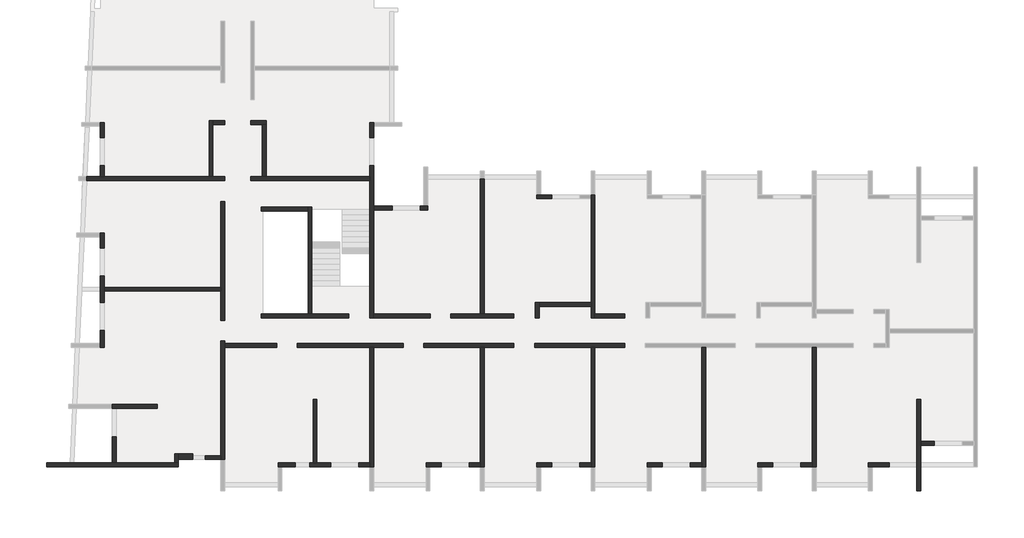
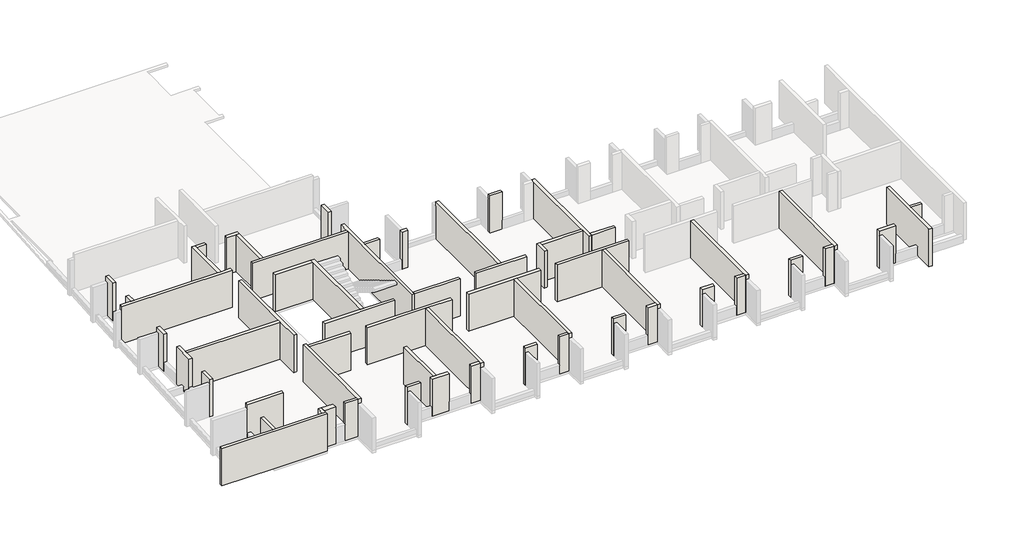
# One storey, part 1 of 4: 59 walls.
"""IFC4 building model written with IfcOpenShell, lengths in millimetres."""

from ifc_helpers import new_model, si_unit, frame, origin, place, context, project, spatial, polyline, outline, extrude, faceted_brep, element, save

model = new_model("IFC4")

# Units and contexts
model_context = context("Model", 3, world=origin())
ifc_project = project(units=[si_unit("LENGTHUNIT", "METRE", prefix="MILLI")], contexts=[model_context])

# Site, building, storey
site = spatial("IfcSite", under=ifc_project)
building = spatial("IfcBuilding", under=site)
storey = spatial("IfcBuildingStorey", under=building, Elevation=7230.0)

# Walls
placement = place(None, origin())
element("IfcWall", 1, ObjectType="MHA20", at=placement, inside=storey, context=model_context, shape_type="Brep", body=[
    faceted_brep([(-6305.6912908, -19419.0672499, 7230.0), (-6305.6912908, -13279.0672499, 7230.0), (-6305.6912908, -13279.0672499, 9760.0), (-6305.6912908, -19419.0672499, 9760.0), (-6305.6912908, -19419.0672499, 9460.0), (-6505.6912908, -19419.0672499, 7230.0), (-6505.6912908, -19419.0672499, 9460.0), (-6505.6912908, -19419.0672499, 9760.0), (-6505.6912908, -19219.0672499, 9760.0), (-6505.6912908, -13279.0672499, 9760.0), (-6505.6912908, -13279.0672499, 7230.0), (-6505.6912908, -19219.0672499, 7230.0)], [[[0, 1, 2, 3, 4]], [[5, 6, 7, 8, 9, 10, 11]], [[1, 0, 5, 11, 10]], [[3, 2, 9, 8, 7]], [[2, 1, 10, 9]], [[0, 4, 3, 7, 6, 5]]]),
])
element("IfcWall", 2, ObjectType="MHA20", at=placement, inside=storey, context=model_context, shape_type="Brep", body=[
    faceted_brep([(-925.6912908, -20669.0672499, 7230.0), (-925.6912908, -18319.0672499, 7230.0), (-925.6912908, -18119.0672499, 7230.0), (-925.6912908, -15939.0672499, 7230.0), (-925.6912908, -15939.0672499, 9760.0), (-925.6912908, -18119.0672499, 9760.0), (-925.6912908, -18319.0672499, 9760.0), (-925.6912908, -20669.0672499, 9760.0), (-1125.6912908, -20669.0672499, 7230.0), (-1125.6912908, -20669.0672499, 9760.0), (-1125.6912908, -15939.0672499, 9760.0), (-1125.6912908, -15939.0672499, 7230.0), (-1125.6912908, -19219.0672499, 7230.0), (-1125.6912908, -19419.0672499, 7230.0)], [[[0, 1, 2, 3, 4, 5, 6, 7]], [[8, 9, 10, 11, 12, 13]], [[3, 2, 1, 0, 8, 13, 12, 11]], [[4, 3, 11, 10]], [[7, 6, 5, 4, 10, 9]], [[0, 7, 9, 8]]]),
])
element("IfcWall", 3, ObjectType="MHA20", at=placement, inside=storey, context=model_context, shape_type="SweptSolid", body=[
    extrude(outline(polyline([(-225.6912908, -18319.0672499), (-925.6912908, -18319.0672499), (-925.6912908, -18119.0672499), (-225.6912908, -18119.0672499), (-225.6912908, -18319.0672499)])), frame((0.0, 0.0, 7230.0), z_axis=(0.0, 0.0, 1.0), x_axis=(1.0, 0.0, 0.0)), (0.0, 0.0, 1.0), 2530.0),
])
element("IfcWall", 4, ObjectType="MHA20", at=placement, inside=storey, context=model_context, shape_type="Brep", body=[
    faceted_brep([(-3615.6912908, -19419.0672499, 7230.0), (-3415.6912908, -19419.0672499, 7230.0), (-2545.6912908, -19419.0672499, 7230.0), (-2545.6912908, -19419.0672499, 7830.0), (-2545.6912908, -19419.0672499, 9760.0), (-3615.6912908, -19419.0672499, 9760.0), (-3615.6912908, -19419.0672499, 9460.0), (-3615.6912908, -19219.0672499, 7230.0), (-3615.6912908, -19219.0672499, 9760.0), (-2545.6912908, -19219.0672499, 9760.0), (-2545.6912908, -19219.0672499, 7830.0), (-2545.6912908, -19219.0672499, 7230.0)], [[[0, 1, 2, 3, 4, 5, 6]], [[7, 8, 9, 10, 11]], [[2, 1, 0, 7, 11]], [[4, 3, 2, 11, 10, 9]], [[5, 4, 9, 8]], [[0, 6, 5, 8, 7]]]),
])
element("IfcWall", 5, ObjectType="MHA20", at=placement, inside=storey, context=model_context, shape_type="Brep", body=[
    faceted_brep([(-11995.6912908, -19419.0672499, 7230.0), (-11995.6912908, -13279.0672499, 7230.0), (-11995.6912908, -13279.0672499, 9760.0), (-11995.6912908, -19419.0672499, 9760.0), (-11995.6912908, -19419.0672499, 9460.0), (-12195.6912908, -19419.0672499, 7230.0), (-12195.6912908, -19419.0672499, 9460.0), (-12195.6912908, -19419.0672499, 9760.0), (-12195.6912908, -19219.0672499, 9760.0), (-12195.6912908, -13279.0672499, 9760.0), (-12195.6912908, -13279.0672499, 7230.0), (-12195.6912908, -19219.0672499, 7230.0)], [[[0, 1, 2, 3, 4]], [[5, 6, 7, 8, 9, 10, 11]], [[1, 0, 5, 11, 10]], [[3, 2, 9, 8, 7]], [[2, 1, 10, 9]], [[0, 4, 3, 7, 6, 5]]]),
])
element("IfcWall", 6, ObjectType="MHA20", at=placement, inside=storey, context=model_context, shape_type="Brep", body=[
    faceted_brep([(-9305.6912908, -19419.0672499, 7230.0), (-9105.6912908, -19419.0672499, 7230.0), (-8525.6912908, -19419.0672499, 7230.0), (-8525.6912908, -19419.0672499, 7830.0), (-8525.6912908, -19419.0672499, 9760.0), (-9305.6912908, -19419.0672499, 9760.0), (-9305.6912908, -19419.0672499, 9460.0), (-9305.6912908, -19219.0672499, 7230.0), (-9305.6912908, -19219.0672499, 9760.0), (-8525.6912908, -19219.0672499, 9760.0), (-8525.6912908, -19219.0672499, 7830.0), (-8525.6912908, -19219.0672499, 7230.0)], [[[0, 1, 2, 3, 4, 5, 6]], [[7, 8, 9, 10, 11]], [[2, 1, 0, 7, 11]], [[4, 3, 2, 11, 10, 9]], [[5, 4, 9, 8]], [[0, 6, 5, 8, 7]]]),
])
element("IfcWall", 7, ObjectType="MHA20", at=placement, inside=storey, context=model_context, shape_type="Brep", body=[
    faceted_brep([(-7085.6912908, -19419.0672499, 7230.0), (-6505.6912908, -19419.0672499, 7230.0), (-6505.6912908, -19419.0672499, 9760.0), (-7085.6912908, -19419.0672499, 9760.0), (-7085.6912908, -19419.0672499, 7830.0), (-7085.6912908, -19219.0672499, 7230.0), (-7085.6912908, -19219.0672499, 7830.0), (-7085.6912908, -19219.0672499, 9760.0), (-6505.6912908, -19219.0672499, 9760.0), (-6505.6912908, -19219.0672499, 7230.0)], [[[0, 1, 2, 3, 4]], [[5, 6, 7, 8, 9]], [[1, 0, 5, 9]], [[3, 2, 8, 7]], [[0, 4, 3, 7, 6, 5]], [[2, 1, 9, 8]]]),
])
element("IfcWall", 8, ObjectType="MHA20", at=placement, inside=storey, context=model_context, shape_type="Brep", body=[
    faceted_brep([(-17685.6912908, -19419.0672499, 7230.0), (-17685.6912908, -13279.0672499, 7230.0), (-17685.6912908, -13279.0672499, 9760.0), (-17685.6912908, -19419.0672499, 9760.0), (-17685.6912908, -19419.0672499, 9460.0), (-17885.6912908, -19419.0672499, 7230.0), (-17885.6912908, -19419.0672499, 9460.0), (-17885.6912908, -19419.0672499, 9760.0), (-17885.6912908, -19219.0672499, 9760.0), (-17885.6912908, -13279.0672499, 9760.0), (-17885.6912908, -13279.0672499, 7230.0), (-17885.6912908, -19219.0672499, 7230.0)], [[[0, 1, 2, 3, 4]], [[5, 6, 7, 8, 9, 10, 11]], [[1, 0, 5, 11, 10]], [[3, 2, 9, 8, 7]], [[2, 1, 10, 9]], [[0, 4, 3, 7, 6, 5]]]),
])
element("IfcWall", 9, ObjectType="MHA20", at=placement, inside=storey, context=model_context, shape_type="Brep", body=[
    faceted_brep([(-14995.6912908, -19419.0672499, 7230.0), (-14795.6912908, -19419.0672499, 7230.0), (-14215.6912908, -19419.0672499, 7230.0), (-14215.6912908, -19419.0672499, 7830.0), (-14215.6912908, -19419.0672499, 9760.0), (-14995.6912908, -19419.0672499, 9760.0), (-14995.6912908, -19419.0672499, 9460.0), (-14995.6912908, -19219.0672499, 7230.0), (-14995.6912908, -19219.0672499, 9760.0), (-14215.6912908, -19219.0672499, 9760.0), (-14215.6912908, -19219.0672499, 7830.0), (-14215.6912908, -19219.0672499, 7230.0)], [[[0, 1, 2, 3, 4, 5, 6]], [[7, 8, 9, 10, 11]], [[2, 1, 0, 7, 11]], [[4, 3, 2, 11, 10, 9]], [[5, 4, 9, 8]], [[0, 6, 5, 8, 7]]]),
])
element("IfcWall", 10, ObjectType="MHA20", at=placement, inside=storey, context=model_context, shape_type="Brep", body=[
    faceted_brep([(-12775.6912908, -19419.0672499, 7230.0), (-12195.6912908, -19419.0672499, 7230.0), (-12195.6912908, -19419.0672499, 9760.0), (-12775.6912908, -19419.0672499, 9760.0), (-12775.6912908, -19419.0672499, 7830.0), (-12775.6912908, -19219.0672499, 7230.0), (-12775.6912908, -19219.0672499, 7830.0), (-12775.6912908, -19219.0672499, 9760.0), (-12195.6912908, -19219.0672499, 9760.0), (-12195.6912908, -19219.0672499, 7230.0)], [[[0, 1, 2, 3, 4]], [[5, 6, 7, 8, 9]], [[1, 0, 5, 9]], [[3, 2, 8, 7]], [[0, 4, 3, 7, 6, 5]], [[2, 1, 9, 8]]]),
])
element("IfcWall", 11, ObjectType="MHA20", at=placement, inside=storey, context=model_context, shape_type="Brep", body=[
    faceted_brep([(-23375.6912908, -19419.0672499, 7230.0), (-23375.6912908, -13279.0672499, 7230.0), (-23375.6912908, -13279.0672499, 9760.0), (-23375.6912908, -19419.0672499, 9760.0), (-23375.6912908, -19419.0672499, 9460.0), (-23575.6912908, -19419.0672499, 7230.0), (-23575.6912908, -19419.0672499, 9460.0), (-23575.6912908, -19419.0672499, 9760.0), (-23575.6912908, -19219.0672499, 9760.0), (-23575.6912908, -13279.0672499, 9760.0), (-23575.6912908, -13279.0672499, 7230.0), (-23575.6912908, -19219.0672499, 7230.0)], [[[0, 1, 2, 3, 4]], [[5, 6, 7, 8, 9, 10, 11]], [[1, 0, 5, 11, 10]], [[3, 2, 9, 8, 7]], [[2, 1, 10, 9]], [[0, 4, 3, 7, 6, 5]]]),
])
element("IfcWall", 12, ObjectType="MHA20", at=placement, inside=storey, context=model_context, shape_type="Brep", body=[
    faceted_brep([(-20685.6912908, -19419.0672499, 7230.0), (-20485.6912908, -19419.0672499, 7230.0), (-19905.6912908, -19419.0672499, 7230.0), (-19905.6912908, -19419.0672499, 7830.0), (-19905.6912908, -19419.0672499, 9760.0), (-20685.6912908, -19419.0672499, 9760.0), (-20685.6912908, -19419.0672499, 9460.0), (-20685.6912908, -19219.0672499, 7230.0), (-20685.6912908, -19219.0672499, 9760.0), (-19905.6912908, -19219.0672499, 9760.0), (-19905.6912908, -19219.0672499, 7830.0), (-19905.6912908, -19219.0672499, 7230.0)], [[[0, 1, 2, 3, 4, 5, 6]], [[7, 8, 9, 10, 11]], [[2, 1, 0, 7, 11]], [[4, 3, 2, 11, 10, 9]], [[5, 4, 9, 8]], [[0, 6, 5, 8, 7]]]),
])
element("IfcWall", 13, ObjectType="MHA20", at=placement, inside=storey, context=model_context, shape_type="Brep", body=[
    faceted_brep([(-18465.6912908, -19419.0672499, 7230.0), (-17885.6912908, -19419.0672499, 7230.0), (-17885.6912908, -19419.0672499, 9760.0), (-18465.6912908, -19419.0672499, 9760.0), (-18465.6912908, -19419.0672499, 7830.0), (-18465.6912908, -19219.0672499, 7230.0), (-18465.6912908, -19219.0672499, 7830.0), (-18465.6912908, -19219.0672499, 9760.0), (-17885.6912908, -19219.0672499, 9760.0), (-17885.6912908, -19219.0672499, 7230.0)], [[[0, 1, 2, 3, 4]], [[5, 6, 7, 8, 9]], [[1, 0, 5, 9]], [[3, 2, 8, 7]], [[0, 4, 3, 7, 6, 5]], [[2, 1, 9, 8]]]),
])
element("IfcWall", 14, ObjectType="MHA20", at=placement, inside=storey, context=model_context, shape_type="Brep", body=[
    faceted_brep([(-29065.6912908, -19419.0672499, 7230.0), (-29065.6912908, -13279.0672499, 7230.0), (-29065.6912908, -13279.0672499, 9760.0), (-29065.6912908, -19419.0672499, 9760.0), (-29065.6912908, -19419.0672499, 9460.0), (-29265.6912908, -19419.0672499, 7230.0), (-29265.6912908, -19419.0672499, 9460.0), (-29265.6912908, -19419.0672499, 9760.0), (-29265.6912908, -19219.0672499, 9760.0), (-29265.6912908, -13279.0672499, 9760.0), (-29265.6912908, -13279.0672499, 7230.0), (-29265.6912908, -19219.0672499, 7230.0)], [[[0, 1, 2, 3, 4]], [[5, 6, 7, 8, 9, 10, 11]], [[1, 0, 5, 11, 10]], [[3, 2, 9, 8, 7]], [[2, 1, 10, 9]], [[0, 4, 3, 7, 6, 5]]]),
])
element("IfcWall", 15, ObjectType="MHA20", at=placement, inside=storey, context=model_context, shape_type="Brep", body=[
    faceted_brep([(-26375.6912908, -19419.0672499, 7230.0), (-26175.6912908, -19419.0672499, 7230.0), (-25595.6912908, -19419.0672499, 7230.0), (-25595.6912908, -19419.0672499, 7830.0), (-25595.6912908, -19419.0672499, 9760.0), (-26375.6912908, -19419.0672499, 9760.0), (-26375.6912908, -19419.0672499, 9460.0), (-26375.6912908, -19219.0672499, 7230.0), (-26375.6912908, -19219.0672499, 9760.0), (-25595.6912908, -19219.0672499, 9760.0), (-25595.6912908, -19219.0672499, 7830.0), (-25595.6912908, -19219.0672499, 7230.0)], [[[0, 1, 2, 3, 4, 5, 6]], [[7, 8, 9, 10, 11]], [[2, 1, 0, 7, 11]], [[4, 3, 2, 11, 10, 9]], [[5, 4, 9, 8]], [[0, 6, 5, 8, 7]]]),
])
element("IfcWall", 16, ObjectType="MHA20", at=placement, inside=storey, context=model_context, shape_type="Brep", body=[
    faceted_brep([(-24155.6912908, -19419.0672499, 7230.0), (-23575.6912908, -19419.0672499, 7230.0), (-23575.6912908, -19419.0672499, 9760.0), (-24155.6912908, -19419.0672499, 9760.0), (-24155.6912908, -19419.0672499, 7830.0), (-24155.6912908, -19219.0672499, 7230.0), (-24155.6912908, -19219.0672499, 7830.0), (-24155.6912908, -19219.0672499, 9760.0), (-23575.6912908, -19219.0672499, 9760.0), (-23575.6912908, -19219.0672499, 7230.0)], [[[0, 1, 2, 3, 4]], [[5, 6, 7, 8, 9]], [[1, 0, 5, 9]], [[3, 2, 8, 7]], [[0, 4, 3, 7, 6, 5]], [[2, 1, 9, 8]]]),
])
element("IfcWall", 17, ObjectType="MHA20", at=placement, inside=storey, context=model_context, shape_type="Brep", body=[
    faceted_brep([(-17885.6912908, -5419.0672499, 7230.0), (-17885.6912908, -5619.0672499, 7230.0), (-17885.6912908, -10959.0672499, 7230.0), (-17885.6912908, -11159.0672499, 7230.0), (-17885.6912908, -11759.0672499, 7230.0), (-17885.6912908, -11759.0672499, 9760.0), (-17885.6912908, -11159.0672499, 9760.0), (-17885.6912908, -10959.0672499, 9760.0), (-17885.6912908, -5619.0672499, 9760.0), (-17885.6912908, -5419.0672499, 9760.0), (-17885.6912908, -5419.0672499, 9460.0), (-17685.6912908, -5419.0672499, 7230.0), (-17685.6912908, -5419.0672499, 9460.0), (-17685.6912908, -5419.0672499, 9760.0), (-17685.6912908, -11559.0672499, 9760.0), (-17685.6912908, -11759.0672499, 9760.0), (-17685.6912908, -11759.0672499, 7230.0), (-17685.6912908, -11559.0672499, 7230.0)], [[[0, 1, 2, 3, 4, 5, 6, 7, 8, 9, 10]], [[11, 12, 13, 14, 15, 16, 17]], [[4, 3, 2, 1, 0, 11, 17, 16]], [[9, 8, 7, 6, 5, 15, 14, 13]], [[5, 4, 16, 15]], [[0, 10, 9, 13, 12, 11]]]),
])
element("IfcWall", 18, ObjectType="MHA20", at=placement, inside=storey, context=model_context, shape_type="Brep", body=[
    faceted_brep([(-23575.6912908, -4599.0672499, 7230.0), (-23575.6912908, -11559.0672499, 7230.0), (-23575.6912908, -11559.0672499, 9760.0), (-23575.6912908, -4599.0672499, 9760.0), (-23575.6912908, -4599.0672499, 9460.0), (-23375.6912908, -4599.0672499, 7230.0), (-23375.6912908, -4599.0672499, 9460.0), (-23375.6912908, -4599.0672499, 9760.0), (-23375.6912908, -11559.0672499, 9760.0), (-23375.6912908, -11559.0672499, 7230.0)], [[[0, 1, 2, 3, 4]], [[5, 6, 7, 8, 9]], [[1, 0, 5, 9]], [[3, 2, 8, 7]], [[0, 4, 3, 7, 6, 5]], [[2, 1, 9, 8]]]),
])
element("IfcWall", 19, ObjectType="MHA20", at=placement, inside=storey, context=model_context, shape_type="Brep", body=[
    faceted_brep([(-20685.6912908, -5619.0672499, 7230.0), (-19905.6912908, -5619.0672499, 7230.0), (-19905.6912908, -5619.0672499, 7830.0), (-19905.6912908, -5619.0672499, 9760.0), (-20685.6912908, -5619.0672499, 9760.0), (-20685.6912908, -5419.0672499, 7230.0), (-20685.6912908, -5419.0672499, 9460.0), (-20685.6912908, -5419.0672499, 9760.0), (-19905.6912908, -5419.0672499, 9760.0), (-19905.6912908, -5419.0672499, 7830.0), (-19905.6912908, -5419.0672499, 7230.0), (-20485.6912908, -5419.0672499, 7230.0)], [[[0, 1, 2, 3, 4]], [[5, 6, 7, 8, 9, 10, 11]], [[1, 0, 5, 11, 10]], [[3, 2, 1, 10, 9, 8]], [[4, 3, 8, 7]], [[0, 4, 7, 6, 5]]]),
])
element("IfcWall", 20, ObjectType="MHA20", at=placement, inside=storey, context=model_context, shape_type="Brep", body=[
    faceted_brep([(-36735.6912908, -19049.0672499, 7230.0), (-36735.6912908, -13279.0672499, 7230.0), (-36735.6912908, -13079.0672499, 7230.0), (-36735.6912908, -12949.0672499, 7230.0), (-36735.6912908, -12949.0672499, 9760.0), (-36735.6912908, -13079.0672499, 9760.0), (-36735.6912908, -13279.0672499, 9760.0), (-36735.6912908, -19049.0672499, 9760.0), (-36735.6912908, -19049.0672499, 9460.0), (-36935.6912908, -19049.0672499, 7230.0), (-36935.6912908, -19049.0672499, 9460.0), (-36935.6912908, -19049.0672499, 9760.0), (-36935.6912908, -18849.0672499, 9760.0), (-36935.6912908, -12949.0672499, 9760.0), (-36935.6912908, -12949.0672499, 7230.0), (-36935.6912908, -18849.0672499, 7230.0)], [[[0, 1, 2, 3, 4, 5, 6, 7, 8]], [[9, 10, 11, 12, 13, 14, 15]], [[3, 2, 1, 0, 9, 15, 14]], [[4, 3, 14, 13]], [[7, 6, 5, 4, 13, 12, 11]], [[0, 8, 7, 11, 10, 9]]]),
])
element("IfcWall", 21, ObjectType="MHA20", at=placement, inside=storey, context=model_context, shape_type="SweptSolid", body=[
    extrude(outline(polyline([(-31985.6912908, -15939.0672499), (-31985.6912908, -19219.0672499), (-32185.6912908, -19219.0672499), (-32185.6912908, -15939.0672499), (-31985.6912908, -15939.0672499)])), frame((0.0, 0.0, 7230.0), z_axis=(0.0, 0.0, 1.0), x_axis=(1.0, 0.0, 0.0)), (0.0, 0.0, 1.0), 2530.0),
])
element("IfcWall", 22, ObjectType="MHA20", at=placement, inside=storey, context=model_context, shape_type="Brep", body=[
    faceted_brep([(-33985.6912908, -19419.0672499, 7230.0), (-33785.6912908, -19419.0672499, 7230.0), (-33105.6912908, -19419.0672499, 7230.0), (-33105.6912908, -19419.0672499, 7830.0), (-33105.6912908, -19419.0672499, 9760.0), (-33985.6912908, -19419.0672499, 9760.0), (-33985.6912908, -19419.0672499, 9460.0), (-33985.6912908, -19219.0672499, 7230.0), (-33985.6912908, -19219.0672499, 9760.0), (-33105.6912908, -19219.0672499, 9760.0), (-33105.6912908, -19219.0672499, 7830.0), (-33105.6912908, -19219.0672499, 7230.0)], [[[0, 1, 2, 3, 4, 5, 6]], [[7, 8, 9, 10, 11]], [[2, 1, 0, 7, 11]], [[4, 3, 2, 11, 10, 9]], [[5, 4, 9, 8]], [[0, 6, 5, 8, 7]]]),
])
element("IfcWall", 23, ObjectType="MHA20", at=placement, inside=storey, context=model_context, shape_type="Brep", body=[
    faceted_brep([(-32365.6912908, -19419.0672499, 7230.0), (-31285.6912908, -19419.0672499, 7230.0), (-31285.6912908, -19419.0672499, 7830.0), (-31285.6912908, -19419.0672499, 9760.0), (-32365.6912908, -19419.0672499, 9760.0), (-32365.6912908, -19419.0672499, 7830.0), (-32365.6912908, -19219.0672499, 7230.0), (-32365.6912908, -19219.0672499, 7830.0), (-32365.6912908, -19219.0672499, 9760.0), (-32185.6912908, -19219.0672499, 9760.0), (-31985.6912908, -19219.0672499, 9760.0), (-31285.6912908, -19219.0672499, 9760.0), (-31285.6912908, -19219.0672499, 7830.0), (-31285.6912908, -19219.0672499, 7230.0), (-31985.6912908, -19219.0672499, 7230.0), (-32185.6912908, -19219.0672499, 7230.0)], [[[0, 1, 2, 3, 4, 5]], [[6, 7, 8, 9, 10, 11, 12, 13, 14, 15]], [[1, 0, 6, 15, 14, 13]], [[3, 2, 1, 13, 12, 11]], [[4, 3, 11, 10, 9, 8]], [[0, 5, 4, 8, 7, 6]]]),
])
element("IfcWall", 24, ObjectType="MHA20", at=placement, inside=storey, context=model_context, shape_type="Brep", body=[
    faceted_brep([(-29845.6912908, -19419.0672499, 7230.0), (-29265.6912908, -19419.0672499, 7230.0), (-29265.6912908, -19419.0672499, 9760.0), (-29845.6912908, -19419.0672499, 9760.0), (-29845.6912908, -19419.0672499, 7830.0), (-29845.6912908, -19219.0672499, 7230.0), (-29845.6912908, -19219.0672499, 7830.0), (-29845.6912908, -19219.0672499, 9760.0), (-29265.6912908, -19219.0672499, 9760.0), (-29265.6912908, -19219.0672499, 7230.0)], [[[0, 1, 2, 3, 4]], [[5, 6, 7, 8, 9]], [[1, 0, 5, 9]], [[3, 2, 8, 7]], [[0, 4, 3, 7, 6, 5]], [[2, 1, 9, 8]]]),
])
element("IfcWall", 25, ObjectType="MHA20", at=placement, inside=storey, context=model_context, shape_type="Brep", body=[
    faceted_brep([(-39115.6912908, -19419.0672499, 7230.0), (-39115.6912908, -19419.0672499, 9760.0), (-45899.4109651, -19419.0672499, 9760.0), (-45899.4109651, -19419.0672499, 7230.0), (-39115.6912908, -19219.0672499, 9760.0), (-39115.6912908, -19219.0672499, 7230.0), (-39315.6912908, -19219.0672499, 7230.0), (-42325.6912908, -19219.0672499, 7230.0), (-42525.6912908, -19219.0672499, 7230.0), (-45890.3379827, -19219.0672499, 7230.0), (-45890.3379827, -19219.0672499, 9760.0), (-42525.6912908, -19219.0672499, 9760.0), (-42325.6912908, -19219.0672499, 9760.0), (-39315.6912908, -19219.0672499, 9760.0)], [[[0, 1, 2, 3]], [[4, 5, 6, 7, 8, 9, 10, 11, 12, 13]], [[5, 0, 3, 9, 8, 7, 6]], [[1, 4, 13, 12, 11, 10, 2]], [[1, 0, 5, 4]], [[3, 2, 10, 9]]]),
])
element("IfcWall", 26, ObjectType="MHA20", at=placement, inside=storey, context=model_context, shape_type="Brep", body=[
    faceted_brep([(-39115.6912908, -19219.0672499, 7230.0), (-39115.6912908, -19049.0672499, 7230.0), (-39115.6912908, -18749.0672499, 7230.0), (-39115.6912908, -18749.0672499, 9760.0), (-39115.6912908, -19049.0672499, 9760.0), (-39115.6912908, -19219.0672499, 9760.0), (-39315.6912908, -19219.0672499, 7230.0), (-39315.6912908, -19219.0672499, 9760.0), (-39315.6912908, -18749.0672499, 9760.0), (-39315.6912908, -18749.0672499, 7230.0)], [[[0, 1, 2, 3, 4, 5]], [[6, 7, 8, 9]], [[2, 1, 0, 6, 9]], [[5, 4, 3, 8, 7]], [[3, 2, 9, 8]], [[0, 5, 7, 6]]]),
])
element("IfcWall", 27, ObjectType="MHA20", at=placement, inside=storey, context=model_context, shape_type="SweptSolid", body=[
    extrude(outline(polyline([(-36935.6912908, -19049.0672499), (-37735.6912908, -19049.0672499), (-37735.6912908, -18849.0672499), (-36935.6912908, -18849.0672499), (-36935.6912908, -19049.0672499)])), frame((0.0, 0.0, 7230.0), z_axis=(0.0, 0.0, 1.0), x_axis=(1.0, 0.0, 0.0)), (0.0, 0.0, 1.0), 2530.0),
])
element("IfcWall", 28, ObjectType="MHA20", at=placement, inside=storey, context=model_context, shape_type="Brep", body=[
    faceted_brep([(-16160.6912908, -13079.0672499, 7230.0), (-20790.6912908, -13079.0672499, 7230.0), (-20790.6912908, -13079.0672499, 9760.0), (-16160.6912908, -13079.0672499, 9760.0), (-16160.6912908, -13279.0672499, 7230.0), (-16160.6912908, -13279.0672499, 9760.0), (-17685.6912908, -13279.0672499, 9760.0), (-17885.6912908, -13279.0672499, 9760.0), (-20790.6912908, -13279.0672499, 9760.0), (-20790.6912908, -13279.0672499, 7230.0), (-17885.6912908, -13279.0672499, 7230.0), (-17685.6912908, -13279.0672499, 7230.0)], [[[0, 1, 2, 3]], [[4, 5, 6, 7, 8, 9, 10, 11]], [[1, 0, 4, 11, 10, 9]], [[2, 1, 9, 8]], [[3, 2, 8, 7, 6, 5]], [[0, 3, 5, 4]]]),
])
element("IfcWall", 29, ObjectType="MHA20", at=placement, inside=storey, context=model_context, shape_type="Brep", body=[
    faceted_brep([(-21850.6912908, -13079.0672499, 7230.0), (-26480.6912908, -13079.0672499, 7230.0), (-26480.6912908, -13079.0672499, 9760.0), (-21850.6912908, -13079.0672499, 9760.0), (-21850.6912908, -13279.0672499, 7230.0), (-21850.6912908, -13279.0672499, 9760.0), (-23375.6912908, -13279.0672499, 9760.0), (-23575.6912908, -13279.0672499, 9760.0), (-26480.6912908, -13279.0672499, 9760.0), (-26480.6912908, -13279.0672499, 7230.0), (-23575.6912908, -13279.0672499, 7230.0), (-23375.6912908, -13279.0672499, 7230.0)], [[[0, 1, 2, 3]], [[4, 5, 6, 7, 8, 9, 10, 11]], [[1, 0, 4, 11, 10, 9]], [[2, 1, 9, 8]], [[3, 2, 8, 7, 6, 5]], [[0, 3, 5, 4]]]),
])
element("IfcWall", 30, ObjectType="MHA20", at=placement, inside=storey, context=model_context, shape_type="Brep", body=[
    faceted_brep([(-27540.6912908, -13079.0672499, 7230.0), (-32995.6912908, -13079.0672499, 7230.0), (-32995.6912908, -13079.0672499, 9760.0), (-27540.6912908, -13079.0672499, 9760.0), (-27540.6912908, -13279.0672499, 7230.0), (-27540.6912908, -13279.0672499, 9760.0), (-29065.6912908, -13279.0672499, 9760.0), (-29265.6912908, -13279.0672499, 9760.0), (-32995.6912908, -13279.0672499, 9760.0), (-32995.6912908, -13279.0672499, 7230.0), (-29265.6912908, -13279.0672499, 7230.0), (-29065.6912908, -13279.0672499, 7230.0)], [[[0, 1, 2, 3]], [[4, 5, 6, 7, 8, 9, 10, 11]], [[1, 0, 4, 11, 10, 9]], [[2, 1, 9, 8]], [[3, 2, 8, 7, 6, 5]], [[0, 3, 5, 4]]]),
])
element("IfcWall", 31, ObjectType="MHA20", at=placement, inside=storey, context=model_context, shape_type="SweptSolid", body=[
    extrude(outline(polyline([(-34055.6912908, -13279.0672499), (-36735.6912908, -13279.0672499), (-36735.6912908, -13079.0672499), (-34055.6912908, -13079.0672499), (-34055.6912908, -13279.0672499)])), frame((0.0, 0.0, 7230.0), z_axis=(0.0, 0.0, 1.0), x_axis=(1.0, 0.0, 0.0)), (0.0, 0.0, 1.0), 2530.0),
])
element("IfcWall", 32, ObjectType="MHA20", at=placement, inside=storey, context=model_context, shape_type="Brep", body=[
    faceted_brep([(-20550.6912908, -11759.0672499, 7230.0), (-20550.6912908, -11159.0672499, 7230.0), (-20550.6912908, -10959.0672499, 7230.0), (-20550.6912908, -10959.0672499, 9760.0), (-20550.6912908, -11159.0672499, 9760.0), (-20550.6912908, -11759.0672499, 9760.0), (-20750.6912908, -11759.0672499, 7230.0), (-20750.6912908, -11759.0672499, 9760.0), (-20750.6912908, -10959.0672499, 9760.0), (-20750.6912908, -10959.0672499, 7230.0)], [[[0, 1, 2, 3, 4, 5]], [[6, 7, 8, 9]], [[2, 1, 0, 6, 9]], [[5, 4, 3, 8, 7]], [[0, 5, 7, 6]], [[3, 2, 9, 8]]]),
])
element("IfcWall", 33, ObjectType="MHA20", at=placement, inside=storey, context=model_context, shape_type="SweptSolid", body=[
    extrude(outline(polyline([(-17885.6912908, -11159.0672499), (-20550.6912908, -11159.0672499), (-20550.6912908, -10959.0672499), (-17885.6912908, -10959.0672499), (-17885.6912908, -11159.0672499)])), frame((0.0, 0.0, 7230.0), z_axis=(0.0, 0.0, 1.0), x_axis=(1.0, 0.0, 0.0)), (0.0, 0.0, 1.0), 2530.0),
])
element("IfcWall", 34, ObjectType="MHA20", at=placement, inside=storey, context=model_context, shape_type="SweptSolid", body=[
    extrude(outline(polyline([(-17685.6912908, -11559.0672499), (-16160.6912908, -11559.0672499), (-16160.6912908, -11759.0672499), (-17685.6912908, -11759.0672499), (-17685.6912908, -11559.0672499)])), frame((0.0, 0.0, 7230.0), z_axis=(0.0, 0.0, 1.0), x_axis=(1.0, 0.0, 0.0)), (0.0, 0.0, 1.0), 2530.0),
])
element("IfcWall", 35, ObjectType="MHA20", at=placement, inside=storey, context=model_context, shape_type="Brep", body=[
    faceted_brep([(-21850.6912908, -11559.0672499, 7230.0), (-23375.6912908, -11559.0672499, 7230.0), (-23575.6912908, -11559.0672499, 7230.0), (-25095.6912908, -11559.0672499, 7230.0), (-25095.6912908, -11559.0672499, 9760.0), (-23575.6912908, -11559.0672499, 9760.0), (-23375.6912908, -11559.0672499, 9760.0), (-21850.6912908, -11559.0672499, 9760.0), (-21850.6912908, -11759.0672499, 7230.0), (-21850.6912908, -11759.0672499, 9760.0), (-25095.6912908, -11759.0672499, 9760.0), (-25095.6912908, -11759.0672499, 7230.0)], [[[0, 1, 2, 3, 4, 5, 6, 7]], [[8, 9, 10, 11]], [[3, 2, 1, 0, 8, 11]], [[4, 3, 11, 10]], [[7, 6, 5, 4, 10, 9]], [[0, 7, 9, 8]]]),
])
element("IfcWall", 36, ObjectType="MHA20", at=placement, inside=storey, context=model_context, shape_type="Brep", body=[
    faceted_brep([(-29065.6912908, -11759.0672499, 7230.0), (-29065.6912908, -11559.0672499, 7230.0), (-29065.6912908, -6204.0672499, 7230.0), (-29065.6912908, -6004.0672499, 7230.0), (-29065.6912908, -3909.0672499, 7230.0), (-29065.6912908, -3909.0672499, 7830.0), (-29065.6912908, -3909.0672499, 9760.0), (-29065.6912908, -6004.0672499, 9760.0), (-29065.6912908, -6204.0672499, 9760.0), (-29065.6912908, -11559.0672499, 9760.0), (-29065.6912908, -11759.0672499, 9760.0), (-29265.6912908, -11759.0672499, 7230.0), (-29265.6912908, -11759.0672499, 9760.0), (-29265.6912908, -4689.0672499, 9760.0), (-29265.6912908, -4489.0672499, 9760.0), (-29265.6912908, -3909.0672499, 9760.0), (-29265.6912908, -3909.0672499, 7830.0), (-29265.6912908, -3909.0672499, 7230.0), (-29265.6912908, -4489.0672499, 7230.0), (-29265.6912908, -4689.0672499, 7230.0)], [[[0, 1, 2, 3, 4, 5, 6, 7, 8, 9, 10]], [[11, 12, 13, 14, 15, 16, 17, 18, 19]], [[4, 3, 2, 1, 0, 11, 19, 18, 17]], [[6, 5, 4, 17, 16, 15]], [[10, 9, 8, 7, 6, 15, 14, 13, 12]], [[0, 10, 12, 11]]]),
])
element("IfcWall", 37, ObjectType="MHA20", at=placement, inside=storey, context=model_context, shape_type="Brep", body=[
    faceted_brep([(-35405.6912908, -4689.0672499, 7230.0), (-29265.6912908, -4689.0672499, 7230.0), (-29265.6912908, -4689.0672499, 9760.0), (-35405.6912908, -4689.0672499, 9760.0), (-35405.6912908, -4489.0672499, 7230.0), (-35405.6912908, -4489.0672499, 9760.0), (-34805.6912908, -4489.0672499, 9760.0), (-34605.6912908, -4489.0672499, 9760.0), (-29265.6912908, -4489.0672499, 9760.0), (-29265.6912908, -4489.0672499, 7230.0), (-34605.6912908, -4489.0672499, 7230.0), (-34805.6912908, -4489.0672499, 7230.0)], [[[0, 1, 2, 3]], [[4, 5, 6, 7, 8, 9, 10, 11]], [[1, 0, 4, 11, 10, 9]], [[3, 2, 8, 7, 6, 5]], [[0, 3, 5, 4]], [[2, 1, 9, 8]]]),
])
element("IfcWall", 38, ObjectType="MHA20", at=placement, inside=storey, context=model_context, shape_type="Brep", body=[
    faceted_brep([(-26675.6912908, -6204.0672499, 7230.0), (-26295.6912908, -6204.0672499, 7230.0), (-26295.6912908, -6204.0672499, 9760.0), (-26675.6912908, -6204.0672499, 9760.0), (-26675.6912908, -6204.0672499, 7830.0), (-26675.6912908, -6004.0672499, 7230.0), (-26675.6912908, -6004.0672499, 7830.0), (-26675.6912908, -6004.0672499, 9760.0), (-26295.6912908, -6004.0672499, 9760.0), (-26295.6912908, -6004.0672499, 9460.0), (-26295.6912908, -6004.0672499, 7230.0), (-26495.6912908, -6004.0672499, 7230.0)], [[[0, 1, 2, 3, 4]], [[5, 6, 7, 8, 9, 10, 11]], [[1, 0, 5, 11, 10]], [[2, 1, 10, 9, 8]], [[3, 2, 8, 7]], [[0, 4, 3, 7, 6, 5]]]),
])
element("IfcWall", 39, ObjectType="MHA20", at=placement, inside=storey, context=model_context, shape_type="Brep", body=[
    faceted_brep([(-28115.6912908, -6004.0672499, 7230.0), (-29065.6912908, -6004.0672499, 7230.0), (-29065.6912908, -6004.0672499, 9760.0), (-28115.6912908, -6004.0672499, 9760.0), (-28115.6912908, -6004.0672499, 7830.0), (-28115.6912908, -6204.0672499, 7230.0), (-28115.6912908, -6204.0672499, 7830.0), (-28115.6912908, -6204.0672499, 9760.0), (-29065.6912908, -6204.0672499, 9760.0), (-29065.6912908, -6204.0672499, 7230.0)], [[[0, 1, 2, 3, 4]], [[5, 6, 7, 8, 9]], [[1, 0, 5, 9]], [[3, 2, 8, 7]], [[0, 4, 3, 7, 6, 5]], [[2, 1, 9, 8]]]),
])
element("IfcWall", 40, ObjectType="MHA20", at=placement, inside=storey, context=model_context, shape_type="SweptSolid", body=[
    extrude(outline(polyline([(-26155.6912908, -11759.0672499), (-29065.6912908, -11759.0672499), (-29065.6912908, -11559.0672499), (-26155.6912908, -11559.0672499), (-26155.6912908, -11759.0672499)])), frame((0.0, 0.0, 7230.0), z_axis=(0.0, 0.0, 1.0), x_axis=(1.0, 0.0, 0.0)), (0.0, 0.0, 1.0), 2530.0),
])
element("IfcWall", 41, ObjectType="MHA20", at=placement, inside=storey, context=model_context, shape_type="Brep", body=[
    faceted_brep([(-32245.6912908, -11559.0672499, 7230.0), (-32245.6912908, -6044.0672499, 7230.0), (-32245.6912908, -6044.0672499, 9760.0), (-32245.6912908, -11559.0672499, 9760.0), (-32445.6912908, -11559.0672499, 7230.0), (-32445.6912908, -11559.0672499, 9760.0), (-32445.6912908, -6244.0672499, 9760.0), (-32445.6912908, -6044.0672499, 9760.0), (-32445.6912908, -6044.0672499, 7230.0), (-32445.6912908, -6244.0672499, 7230.0)], [[[0, 1, 2, 3]], [[4, 5, 6, 7, 8, 9]], [[1, 0, 4, 9, 8]], [[3, 2, 7, 6, 5]], [[0, 3, 5, 4]], [[2, 1, 8, 7]]]),
])
element("IfcWall", 42, ObjectType="MHA20", at=placement, inside=storey, context=model_context, shape_type="Brep", body=[
    faceted_brep([(-34865.6912908, -11759.0672499, 7230.0), (-30340.6912908, -11759.0672499, 7230.0), (-30340.6912908, -11759.0672499, 9760.0), (-34865.6912908, -11759.0672499, 9760.0), (-34865.6912908, -11559.0672499, 7230.0), (-34865.6912908, -11559.0672499, 9760.0), (-32445.6912908, -11559.0672499, 9760.0), (-32245.6912908, -11559.0672499, 9760.0), (-30340.6912908, -11559.0672499, 9760.0), (-30340.6912908, -11559.0672499, 7230.0), (-32245.6912908, -11559.0672499, 7230.0), (-32445.6912908, -11559.0672499, 7230.0)], [[[0, 1, 2, 3]], [[4, 5, 6, 7, 8, 9, 10, 11]], [[1, 0, 4, 11, 10, 9]], [[2, 1, 9, 8]], [[3, 2, 8, 7, 6, 5]], [[0, 3, 5, 4]]]),
])
element("IfcWall", 43, ObjectType="MHA20", at=placement, inside=storey, context=model_context, shape_type="SweptSolid", body=[
    extrude(outline(polyline([(-32445.6912908, -6244.0672499), (-34865.6912908, -6244.0672499), (-34865.6912908, -6044.0672499), (-32445.6912908, -6044.0672499), (-32445.6912908, -6244.0672499)])), frame((0.0, 0.0, 7230.0), z_axis=(0.0, 0.0, 1.0), x_axis=(1.0, 0.0, 0.0)), (0.0, 0.0, 1.0), 2530.0),
])
element("IfcWall", 44, ObjectType="MHA20", at=placement, inside=storey, context=model_context, shape_type="SweptSolid", body=[
    extrude(outline(polyline([(-36935.6912908, -10379.0672499), (-42935.6912908, -10379.0672499), (-42935.6912908, -10179.0672499), (-36935.6912908, -10179.0672499), (-36935.6912908, -10379.0672499)])), frame((0.0, 0.0, 7230.0), z_axis=(0.0, 0.0, 1.0), x_axis=(1.0, 0.0, 0.0)), (0.0, 0.0, 1.0), 2530.0),
])
element("IfcWall", 45, ObjectType="MHA20", at=placement, inside=storey, context=model_context, shape_type="Brep", body=[
    faceted_brep([(-36735.6912908, -11889.0672499, 7230.0), (-36735.6912908, -5774.0672499, 7230.0), (-36735.6912908, -5774.0672499, 9760.0), (-36735.6912908, -11889.0672499, 9760.0), (-36935.6912908, -11889.0672499, 7230.0), (-36935.6912908, -11889.0672499, 9760.0), (-36935.6912908, -10379.0672499, 9760.0), (-36935.6912908, -10179.0672499, 9760.0), (-36935.6912908, -5774.0672499, 9760.0), (-36935.6912908, -5774.0672499, 7230.0), (-36935.6912908, -10179.0672499, 7230.0), (-36935.6912908, -10379.0672499, 7230.0)], [[[0, 1, 2, 3]], [[4, 5, 6, 7, 8, 9, 10, 11]], [[1, 0, 4, 11, 10, 9]], [[2, 1, 9, 8]], [[3, 2, 8, 7, 6, 5]], [[0, 3, 5, 4]]]),
])
element("IfcWall", 46, ObjectType="MHA20", at=placement, inside=storey, context=model_context, shape_type="Brep", body=[
    faceted_brep([(-36735.6912908, -4689.0672499, 7230.0), (-36735.6912908, -4689.0672499, 9760.0), (-43829.7459647, -4689.0672499, 9760.0), (-43829.7459647, -4689.0672499, 9460.0), (-43829.7459647, -4689.0672499, 7530.0), (-43829.7459647, -4689.0672499, 7230.0), (-36735.6912908, -4489.0672499, 9760.0), (-36735.6912908, -4489.0672499, 7230.0), (-37335.6912908, -4489.0672499, 7230.0), (-37535.6912908, -4489.0672499, 7230.0), (-42935.6912908, -4489.0672499, 7230.0), (-43135.6912908, -4489.0672499, 7230.0), (-43820.6729822, -4489.0672499, 7230.0), (-43820.6729822, -4489.0672499, 7530.0), (-43820.6729822, -4489.0672499, 9460.0), (-43820.6729822, -4489.0672499, 9760.0), (-43135.6912908, -4489.0672499, 9760.0), (-42935.6912908, -4489.0672499, 9760.0), (-37535.6912908, -4489.0672499, 9760.0), (-37335.6912908, -4489.0672499, 9760.0)], [[[0, 1, 2, 3, 4, 5]], [[6, 7, 8, 9, 10, 11, 12, 13, 14, 15, 16, 17, 18, 19]], [[7, 0, 5, 12, 11, 10, 9, 8]], [[1, 0, 7, 6]], [[1, 6, 19, 18, 17, 16, 15, 2]], [[5, 4, 3, 2, 15, 14, 13, 12]]]),
])
element("IfcWall", 47, ObjectType="MHA20", at=placement, inside=storey, context=model_context, shape_type="Brep", body=[
    faceted_brep([(-35405.6912908, -1794.0672499, 7230.0), (-34805.6912908, -1794.0672499, 7230.0), (-34605.6912908, -1794.0672499, 7230.0), (-34605.6912908, -1794.0672499, 9760.0), (-34805.6912908, -1794.0672499, 9760.0), (-35405.6912908, -1794.0672499, 9760.0), (-35405.6912908, -1594.0672499, 7230.0), (-35405.6912908, -1594.0672499, 9760.0), (-34605.6912908, -1594.0672499, 9760.0), (-34605.6912908, -1594.0672499, 7230.0)], [[[0, 1, 2, 3, 4, 5]], [[6, 7, 8, 9]], [[2, 1, 0, 6, 9]], [[5, 4, 3, 8, 7]], [[0, 5, 7, 6]], [[3, 2, 9, 8]]]),
])
element("IfcWall", 48, ObjectType="MHA20", at=placement, inside=storey, context=model_context, shape_type="SweptSolid", body=[
    extrude(outline(polyline([(-34605.6912908, -1794.0672499), (-34605.6912908, -4489.0672499), (-34805.6912908, -4489.0672499), (-34805.6912908, -1794.0672499), (-34605.6912908, -1794.0672499)])), frame((0.0, 0.0, 7230.0), z_axis=(0.0, 0.0, 1.0), x_axis=(1.0, 0.0, 0.0)), (0.0, 0.0, 1.0), 2530.0),
])
element("IfcWall", 49, ObjectType="MHA20", at=placement, inside=storey, context=model_context, shape_type="Brep", body=[
    faceted_brep([(-29065.6912908, -2469.0672499, 7230.0), (-29065.6912908, -1889.5482142, 7230.0), (-29065.6912908, -1689.5482142, 7230.0), (-29065.6912908, -1689.5482142, 9460.0), (-29065.6912908, -1689.5482142, 9760.0), (-29065.6912908, -2469.0672499, 9760.0), (-29065.6912908, -2469.0672499, 7830.0), (-29265.6912908, -2469.0672499, 7230.0), (-29265.6912908, -2469.0672499, 7830.0), (-29265.6912908, -2469.0672499, 9760.0), (-29265.6912908, -1689.5482142, 9760.0), (-29265.6912908, -1689.5482142, 7230.0)], [[[0, 1, 2, 3, 4, 5, 6]], [[7, 8, 9, 10, 11]], [[2, 1, 0, 7, 11]], [[4, 3, 2, 11, 10]], [[5, 4, 10, 9]], [[0, 6, 5, 9, 8, 7]]]),
])
element("IfcWall", 50, ObjectType="MHA20", at=placement, inside=storey, context=model_context, shape_type="Brep", body=[
    faceted_brep([(-37335.6912908, -4489.0672499, 7230.0), (-37335.6912908, -1794.0672499, 7230.0), (-37335.6912908, -1594.0672499, 7230.0), (-37335.6912908, -1594.0672499, 9760.0), (-37335.6912908, -1794.0672499, 9760.0), (-37335.6912908, -4489.0672499, 9760.0), (-37535.6912908, -4489.0672499, 7230.0), (-37535.6912908, -4489.0672499, 9760.0), (-37535.6912908, -1594.0672499, 9760.0), (-37535.6912908, -1594.0672499, 7230.0)], [[[0, 1, 2, 3, 4, 5]], [[6, 7, 8, 9]], [[2, 1, 0, 6, 9]], [[5, 4, 3, 8, 7]], [[3, 2, 9, 8]], [[0, 5, 7, 6]]]),
])
element("IfcWall", 51, ObjectType="MHA20", at=placement, inside=storey, context=model_context, shape_type="SweptSolid", body=[
    extrude(outline(polyline([(-37335.6912908, -1594.0672499), (-36735.6912908, -1594.0672499), (-36735.6912908, -1794.0672499), (-37335.6912908, -1794.0672499), (-37335.6912908, -1594.0672499)])), frame((0.0, 0.0, 7230.0), z_axis=(0.0, 0.0, 1.0), x_axis=(1.0, 0.0, 0.0)), (0.0, 0.0, 1.0), 2530.0),
])
element("IfcWall", 52, ObjectType="MHA20", at=placement, inside=storey, context=model_context, shape_type="Brep", body=[
    faceted_brep([(-42935.6912908, -13279.0672499, 7230.0), (-42935.6912908, -12399.0672499, 7230.0), (-42935.6912908, -12399.0672499, 7830.0), (-42935.6912908, -12399.0672499, 9760.0), (-42935.6912908, -13279.0672499, 9760.0), (-43135.6912908, -13279.0672499, 7230.0), (-43135.6912908, -13279.0672499, 9760.0), (-43135.6912908, -12399.0672499, 9760.0), (-43135.6912908, -12399.0672499, 7830.0), (-43135.6912908, -12399.0672499, 7230.0)], [[[0, 1, 2, 3, 4]], [[5, 6, 7, 8, 9]], [[1, 0, 5, 9]], [[3, 2, 1, 9, 8, 7]], [[4, 3, 7, 6]], [[0, 4, 6, 5]]]),
])
element("IfcWall", 53, ObjectType="MHA20", at=placement, inside=storey, context=model_context, shape_type="Brep", body=[
    faceted_brep([(-42325.6912908, -19219.0672499, 7230.0), (-42325.6912908, -17889.0672499, 7230.0), (-42325.6912908, -17889.0672499, 7830.0), (-42325.6912908, -17889.0672499, 9760.0), (-42325.6912908, -19219.0672499, 9760.0), (-42525.6912908, -19219.0672499, 7230.0), (-42525.6912908, -19219.0672499, 9760.0), (-42525.6912908, -17889.0672499, 9760.0), (-42525.6912908, -17889.0672499, 7830.0), (-42525.6912908, -17889.0672499, 7230.0)], [[[0, 1, 2, 3, 4]], [[5, 6, 7, 8, 9]], [[1, 0, 5, 9]], [[3, 2, 1, 9, 8, 7]], [[4, 3, 7, 6]], [[0, 4, 6, 5]]]),
])
element("IfcWall", 54, ObjectType="MHA20", at=placement, inside=storey, context=model_context, shape_type="Brep", body=[
    faceted_brep([(-42935.6912908, -10959.0672499, 7230.0), (-42935.6912908, -10379.0672499, 7230.0), (-42935.6912908, -10179.0672499, 7230.0), (-42935.6912908, -9599.0672499, 7230.0), (-42935.6912908, -9599.0672499, 7830.0), (-42935.6912908, -9599.0672499, 9760.0), (-42935.6912908, -10179.0672499, 9760.0), (-42935.6912908, -10379.0672499, 9760.0), (-42935.6912908, -10959.0672499, 9760.0), (-42935.6912908, -10959.0672499, 7830.0), (-43135.6912908, -10959.0672499, 7230.0), (-43135.6912908, -10959.0672499, 7830.0), (-43135.6912908, -10959.0672499, 9760.0), (-43135.6912908, -9599.0672499, 9760.0), (-43135.6912908, -9599.0672499, 7830.0), (-43135.6912908, -9599.0672499, 7230.0)], [[[0, 1, 2, 3, 4, 5, 6, 7, 8, 9]], [[10, 11, 12, 13, 14, 15]], [[3, 2, 1, 0, 10, 15]], [[5, 4, 3, 15, 14, 13]], [[8, 7, 6, 5, 13, 12]], [[0, 9, 8, 12, 11, 10]]]),
])
element("IfcWall", 55, ObjectType="MHA20", at=placement, inside=storey, context=model_context, shape_type="Brep", body=[
    faceted_brep([(-42935.6912908, -2469.0672499, 7230.0), (-42935.6912908, -1689.5482142, 7230.0), (-42935.6912908, -1689.5482142, 9760.0), (-42935.6912908, -2469.0672499, 9760.0), (-42935.6912908, -2469.0672499, 7830.0), (-43135.6912908, -2469.0672499, 7230.0), (-43135.6912908, -2469.0672499, 7830.0), (-43135.6912908, -2469.0672499, 9760.0), (-43135.6912908, -1689.5482142, 9760.0), (-43135.6912908, -1689.5482142, 7230.0)], [[[0, 1, 2, 3, 4]], [[5, 6, 7, 8, 9]], [[1, 0, 5, 9]], [[2, 1, 9, 8]], [[3, 2, 8, 7]], [[0, 4, 3, 7, 6, 5]]]),
])
element("IfcWall", 56, ObjectType="MHA20", at=placement, inside=storey, context=model_context, shape_type="Brep", body=[
    faceted_brep([(-43135.6912908, -3909.0672499, 7230.0), (-43135.6912908, -4489.0672499, 7230.0), (-43135.6912908, -4489.0672499, 9760.0), (-43135.6912908, -3909.0672499, 9760.0), (-43135.6912908, -3909.0672499, 7830.0), (-42935.6912908, -3909.0672499, 7230.0), (-42935.6912908, -3909.0672499, 7830.0), (-42935.6912908, -3909.0672499, 9760.0), (-42935.6912908, -4489.0672499, 9760.0), (-42935.6912908, -4489.0672499, 7230.0)], [[[0, 1, 2, 3, 4]], [[5, 6, 7, 8, 9]], [[1, 0, 5, 9]], [[3, 2, 8, 7]], [[0, 4, 3, 7, 6, 5]], [[2, 1, 9, 8]]]),
])
element("IfcWall", 57, ObjectType="MHA20", at=placement, inside=storey, context=model_context, shape_type="Brep", body=[
    faceted_brep([(-42935.6912908, -8159.0672499, 7230.0), (-42935.6912908, -7379.0672499, 7230.0), (-42935.6912908, -7379.0672499, 9760.0), (-42935.6912908, -8159.0672499, 9760.0), (-42935.6912908, -8159.0672499, 7830.0), (-43135.6912908, -8159.0672499, 7230.0), (-43135.6912908, -8159.0672499, 7830.0), (-43135.6912908, -8159.0672499, 9760.0), (-43135.6912908, -7379.0672499, 9760.0), (-43135.6912908, -7379.0672499, 7230.0)], [[[0, 1, 2, 3, 4]], [[5, 6, 7, 8, 9]], [[1, 0, 5, 9]], [[2, 1, 9, 8]], [[3, 2, 8, 7]], [[0, 4, 3, 7, 6, 5]]]),
])
element("IfcWall", 58, ObjectType="MHA20", at=placement, inside=storey, context=model_context, shape_type="Brep", body=[
    faceted_brep([(-42525.6912908, -16419.0672499, 7230.0), (-42325.6912908, -16419.0672499, 7230.0), (-40205.6912908, -16419.0672499, 7230.0), (-40205.6912908, -16419.0672499, 9760.0), (-42525.6912908, -16419.0672499, 9760.0), (-42525.6912908, -16419.0672499, 7830.0), (-42525.6912908, -16219.0672499, 7230.0), (-42525.6912908, -16219.0672499, 9760.0), (-40205.6912908, -16219.0672499, 9760.0), (-40205.6912908, -16219.0672499, 7230.0)], [[[0, 1, 2, 3, 4, 5]], [[6, 7, 8, 9]], [[2, 1, 0, 6, 9]], [[3, 2, 9, 8]], [[4, 3, 8, 7]], [[0, 5, 4, 7, 6]]]),
])
element("IfcWall", 59, ObjectType="MHA30", at=placement, inside=storey, context=model_context, shape_type="SweptSolid", body=[
    extrude(outline(polyline([(-38375.6912908, -19049.0672499), (-39115.6912908, -19049.0672499), (-39115.6912908, -18749.0672499), (-38375.6912908, -18749.0672499), (-38375.6912908, -19049.0672499)])), frame((0.0, 0.0, 7230.0), z_axis=(0.0, 0.0, 1.0), x_axis=(1.0, 0.0, 0.0)), (0.0, 0.0, 1.0), 2530.0),
])

save(model, "model.ifc")
